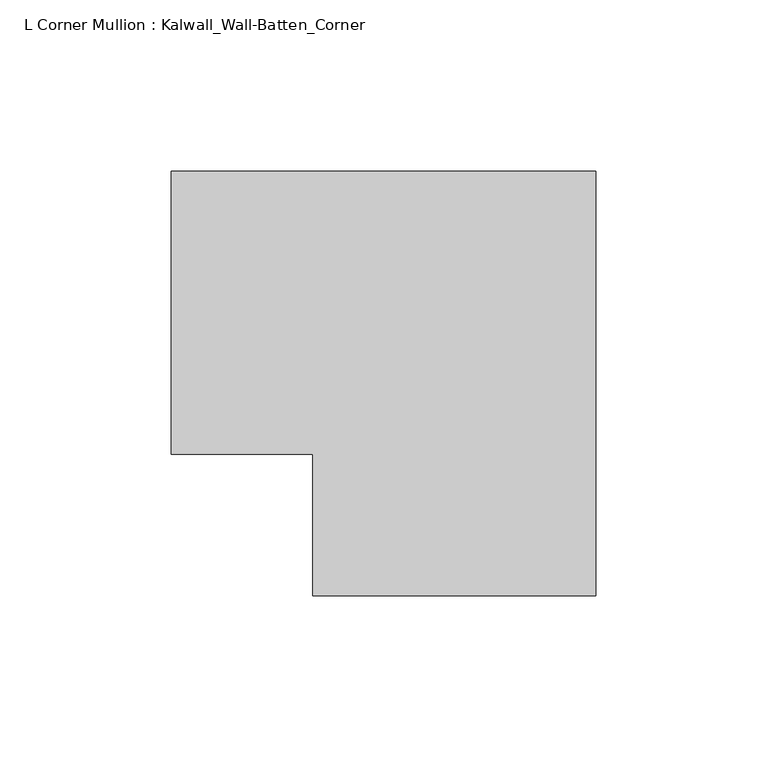
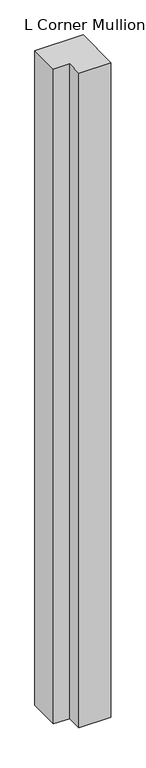
"""IFC4 building model written with IfcOpenShell, lengths in millimetres: member geometry, L Corner Mullion : Kalwall_Wall-Batten_Corner."""

from ifc_helpers import new_model, si_unit, frame, origin, place, context, project, spatial, polyline, outline, extrude, source, transform, mapped, element, save


def l_corner_mullion_kalwall_wall_batten_corner_31cf2708(model_context):
    return source(origin(), model_context, "Body", "SweptSolid", [
        extrude(outline(polyline([(-41.275, -82.55), (-41.275, -41.275), (-82.55, -41.275), (-82.55, 41.275), (41.275, 41.275), (41.275, -82.55), (-41.275, -82.55)])), frame((0.0, 0.0, -1776.625), z_axis=(0.0, 0.0, 1.0), x_axis=(1.0, 0.0, 0.0)), (0.0, 0.0, 1.0), 1776.625),
    ])


if __name__ == "__main__":
    model = new_model("IFC4")
    model_context = context("Model", 3, world=origin())
    ifc_project = project(units=[si_unit("LENGTHUNIT", "METRE", prefix="MILLI")], contexts=[model_context])
    site = spatial("IfcSite", under=ifc_project)
    building = spatial("IfcBuilding", under=site)
    placement = place(None, origin())
    l_corner_mullion_kalwall_wall_batten_corner_shape = l_corner_mullion_kalwall_wall_batten_corner_31cf2708(model_context)
    element("IfcMember", 1, ObjectType="L Corner Mullion : Kalwall_Wall-Batten_Corner", at=placement, inside=building, context=model_context, shape_type="MappedRepresentation", body=[
        mapped(l_corner_mullion_kalwall_wall_batten_corner_shape, transform((0.0, 0.0, 0.0), x_axis=(1.0, 0.0, 0.0), y_axis=(0.0, 1.0, 0.0), z_axis=(0.0, 0.0, 1.0))),
    ])
    save(model, "model.ifc")
